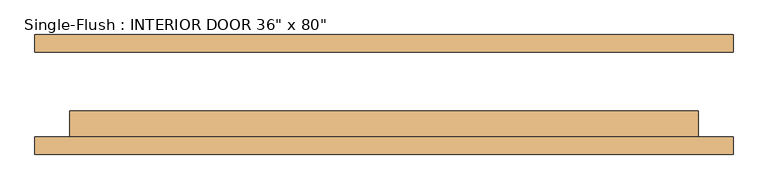
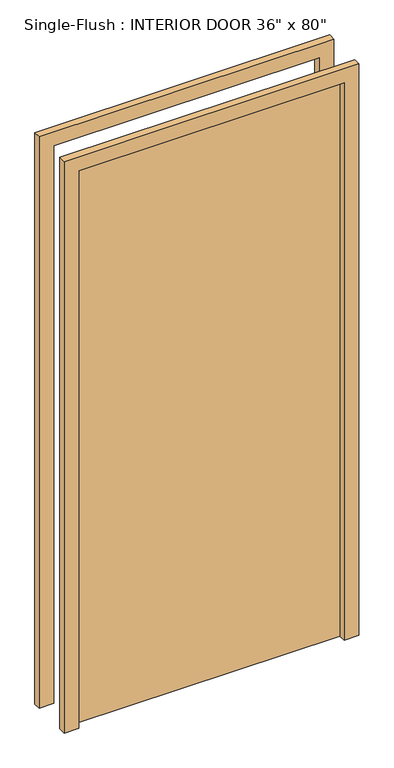
"""IFC4 building model written with IfcOpenShell, lengths in millimetres: door geometry."""

from ifc_helpers import new_model, si_unit, frame, origin, origin_with_axes, place, context, project, spatial, polyline, outline, extrude, source, transform, mapped, element, save


def door_2049c34f(model_context):
    return source(origin(), model_context, "Body", "SweptSolid", [
        extrude(outline(polyline([(457.2, -23.8125), (457.2, -61.9125), (-457.2, -61.9125), (-457.2, -23.8125), (457.2, -23.8125)])), origin_with_axes(), (0.0, 0.0, 1.0), 2032.0),
        extrude(outline(polyline([(2082.8, -508.0), (0.0, -508.0), (0.0, -457.2), (2032.0, -457.2), (2032.0, 457.2), (0.0, 457.2), (0.0, 508.0), (2082.8, 508.0), (2082.8, -508.0)])), frame((0.0, -87.3125, 0.0), z_axis=(0.0, 1.0, 0.0), x_axis=(0.0, 0.0, 1.0)), (0.0, 0.0, 1.0), 25.4),
        extrude(outline(polyline([(2082.8, 508.0), (2082.8, -508.0), (0.0, -508.0), (0.0, -457.2), (2032.0, -457.2), (2032.0, 457.2), (0.0, 457.2), (0.0, 508.0), (2082.8, 508.0)])), frame((0.0, 61.9125, 0.0), z_axis=(0.0, 1.0, 0.0), x_axis=(0.0, 0.0, 1.0)), (0.0, 0.0, 1.0), 25.4),
    ])


if __name__ == "__main__":
    model = new_model("IFC4")
    model_context = context("Model", 3, world=origin())
    ifc_project = project(units=[si_unit("LENGTHUNIT", "METRE", prefix="MILLI")], contexts=[model_context])
    site = spatial("IfcSite", under=ifc_project)
    building = spatial("IfcBuilding", under=site)
    placement = place(None, origin())
    door_shape = door_2049c34f(model_context)
    element("IfcDoor", 1, ObjectType="Single-Flush : INTERIOR DOOR 36\" x 80\"", at=placement, inside=building, context=model_context, shape_type="MappedRepresentation", body=[
        mapped(door_shape, transform((0.0, 0.0, 0.0), x_axis=(1.0, 0.0, 0.0), y_axis=(0.0, 1.0, 0.0), z_axis=(0.0, 0.0, 1.0))),
    ])
    save(model, "model.ifc")
